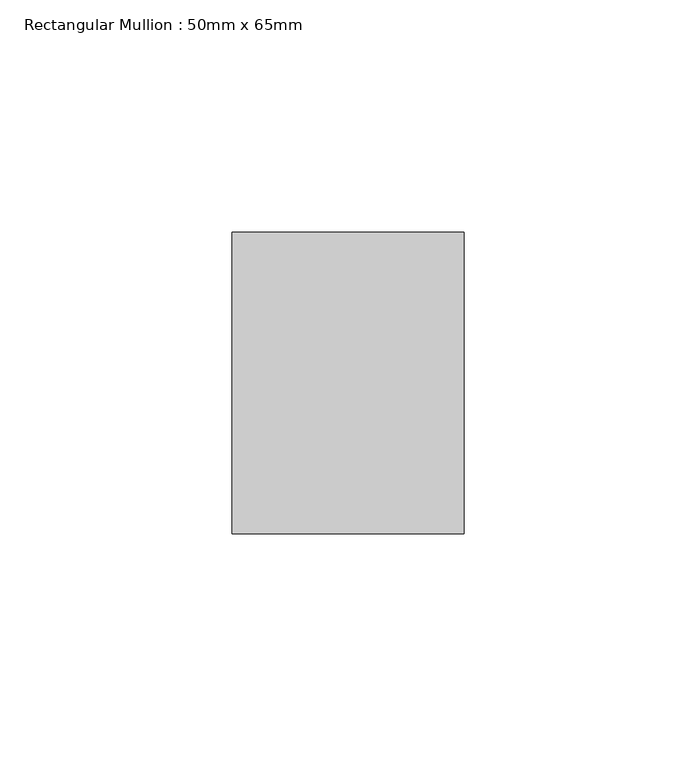
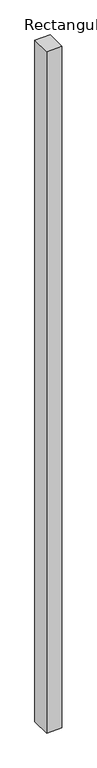
"""IFC4 building model written with IfcOpenShell, lengths in millimetres: member geometry, Rectangular Mullion : 50mm x 65mm."""

import ifcopenshell
import ifcopenshell.guid

model = None  # the IFC model being written
_history = None  # IfcOwnerHistory: only IFC2X3 demands one
_inside = {}  # id of a spatial element -> (the spatial element, [elements in it])
_under = {}  # id of a project, library or spatial element -> (it, [spatial elements below it])
_declared = {}  # id of a project -> (the project, [libraries it declares])
_typed = {}  # id of a type object -> (the type object, [elements of that type])
_made_of = {}  # id of a material, layer set ... -> (it, [elements and type objects made of it])


def new_model(schema):
    """Start an empty IFC model of exactly this schema.

    Asked for "IFC4X3", IfcOpenShell would pick the latest addendum, in which some entities
    have other attributes; the version numbers below select the first issue.
    IFC2X3 requires an IfcOwnerHistory on every rooted entity: one is made here for all.
    """
    global model, _history
    if schema == "IFC4X3":
        model = ifcopenshell.file(schema_version=(4, 3, 0, 0))
    else:
        model = ifcopenshell.file(schema=schema)
    _inside.clear()
    _under.clear()
    _declared.clear()
    _typed.clear()
    _made_of.clear()
    _history = None
    if model.schema == "IFC2X3":
        org = make("IfcOrganization", Name="unknown")
        user = make(
            "IfcPersonAndOrganization",
            ThePerson=make("IfcPerson", FamilyName="unknown"),
            TheOrganization=org,
        )
        app = make(
            "IfcApplication",
            ApplicationDeveloper=org,
            Version="unknown",
            ApplicationFullName="unknown",
            ApplicationIdentifier="unknown",
        )
        _history = make(
            "IfcOwnerHistory",
            OwningUser=user,
            OwningApplication=app,
            ChangeAction="ADDED",
            CreationDate=0,
        )
    return model


def make(cls, **values):
    """One entity of the class cls with the attributes given. An attribute that is None is left unset."""
    return model.create_entity(
        cls, **{name: value for name, value in values.items() if value is not None}
    )


def rooted(cls, **values):
    """An entity with a GlobalId (a new one), such as an element, a storey or a relation."""
    return make(cls, GlobalId=ifcopenshell.guid.new(), OwnerHistory=_history, **values)


def si_unit(unit_type, name, prefix=None):
    """IfcSIUnit, for example si_unit("LENGTHUNIT", "METRE", prefix="MILLI")."""
    return make("IfcSIUnit", UnitType=unit_type, Prefix=prefix, Name=name)


def assignment(units):
    """IfcUnitAssignment: the units of a project."""
    return None if units is None else make("IfcUnitAssignment", Units=units)


def point(xyz):
    """IfcCartesianPoint."""
    return None if xyz is None else make("IfcCartesianPoint", Coordinates=xyz)


def direction(xyz):
    """IfcDirection."""
    return None if xyz is None else make("IfcDirection", DirectionRatios=xyz)


def frame(location, z_axis=None, x_axis=None):
    """IfcAxis2Placement3D, a coordinate frame: its origin and axes. An axis left out is left unset."""
    return make(
        "IfcAxis2Placement3D",
        Location=point(location),
        Axis=direction(z_axis),
        RefDirection=direction(x_axis),
    )


def origin():
    """The frame at (0, 0, 0) with its axes left unset."""
    return frame((0.0, 0.0, 0.0))


def place(relative_to, where):
    """IfcLocalPlacement: puts the frame where relative to a parent placement (None: the world)."""
    return make(
        "IfcLocalPlacement", PlacementRelTo=relative_to, RelativePlacement=where
    )


def context(
    kind, dimensions, precision=None, world=None, true_north=None, identifier=None
):
    """IfcGeometricRepresentationContext, for example the 3D "Model" context."""
    return make(
        "IfcGeometricRepresentationContext",
        ContextIdentifier=identifier,
        ContextType=kind,
        CoordinateSpaceDimension=dimensions,
        Precision=precision,
        WorldCoordinateSystem=world,
        TrueNorth=true_north,
    )


def project(units=None, contexts=None):
    """IfcProject with its units and contexts."""
    return rooted(
        "IfcProject",
        Name="project",
        RepresentationContexts=contexts,
        UnitsInContext=assignment(units),
    )


def spatial(cls, under=None, at=None, **own):
    """A site, building, storey or space (cls), placed at a placement, below another one or the project."""
    s = rooted(cls, ObjectPlacement=at, **own)
    if under is not None:
        _under.setdefault(under.id(), (under, []))[1].append(s)
    return s


def polyline(points):
    """IfcPolyline through the points."""
    return make("IfcPolyline", Points=[point(p) for p in points])


def outline(outer, holes=None, kind="AREA"):
    """IfcArbitraryClosedProfileDef: a profile drawn as a closed curve; with holes, ...WithVoids."""
    if holes is None:
        return make("IfcArbitraryClosedProfileDef", ProfileType=kind, OuterCurve=outer)
    return make(
        "IfcArbitraryProfileDefWithVoids",
        ProfileType=kind,
        OuterCurve=outer,
        InnerCurves=holes,
    )


def extrude(swept, where, along, depth):
    """IfcExtrudedAreaSolid: the profile swept, set in the frame where, extruded along a direction by depth."""
    return make(
        "IfcExtrudedAreaSolid",
        SweptArea=swept,
        Position=where,
        ExtrudedDirection=direction(along),
        Depth=depth,
    )


def shape(context_of_items, identifier, shape_type, items):
    """IfcShapeRepresentation: the items that make up one representation, for example the "Body"."""
    return make(
        "IfcShapeRepresentation",
        ContextOfItems=context_of_items,
        RepresentationIdentifier=identifier,
        RepresentationType=shape_type,
        Items=items,
    )


def source(mapping_origin, context_of_items, identifier, shape_type, items):
    """IfcRepresentationMap: a shape defined once, which mapped items show again and again."""
    return make(
        "IfcRepresentationMap",
        MappingOrigin=mapping_origin,
        MappedRepresentation=shape(context_of_items, identifier, shape_type, items),
    )


def transform(
    local_origin,
    x_axis=None,
    y_axis=None,
    z_axis=None,
    scale=None,
    scale2=None,
    scale3=None,
    uniform=True,
):
    """IfcCartesianTransformationOperator3D, or its non-uniform kind. x_axis, y_axis, z_axis: its Axis1, 2, 3."""
    if uniform:
        return make(
            "IfcCartesianTransformationOperator3D",
            Axis1=direction(x_axis),
            Axis2=direction(y_axis),
            LocalOrigin=point(local_origin),
            Scale=scale,
            Axis3=direction(z_axis),
        )
    return make(
        "IfcCartesianTransformationOperator3DnonUniform",
        Axis1=direction(x_axis),
        Axis2=direction(y_axis),
        LocalOrigin=point(local_origin),
        Scale=scale,
        Axis3=direction(z_axis),
        Scale2=scale2,
        Scale3=scale3,
    )


def mapped(mapping_source, mapping_target):
    """IfcMappedItem: shows the shape of a source again, moved by a transform."""
    return make(
        "IfcMappedItem", MappingSource=mapping_source, MappingTarget=mapping_target
    )


def made_of(thing, what):
    """Note that an element or type object is made of a material, layer set ...; save() writes the relation."""
    if what is not None:
        _made_of.setdefault(what.id(), (what, []))[1].append(thing)
    return thing


def element(
    cls,
    number,
    at=None,
    inside=None,
    cuts=None,
    type_object=None,
    material=None,
    context=None,
    identifier="Body",
    shape_type=None,
    held_by="IfcProductDefinitionShape",
    body=None,
    shapes=None,
    **own,
):
    """One element of the class cls, such as IfcWall. Its Tag is "e" and its number.

    at: its placement. inside: the storey or other place that contains it. cuts: it is an
    opening in that element (IfcRelVoidsElement). A single representation is given by context,
    identifier, shape_type and body (its items); several are given by shapes. held_by: the class
    of the entity that holds the representations. save() writes the other relations.
    """
    e = rooted(cls, Tag="e%d" % number, ObjectPlacement=at, **own)
    if body is not None:
        shapes = [shape(context, identifier, shape_type, body)]
    if shapes is not None:
        e.Representation = make(held_by, Representations=shapes)
    if inside is not None:
        _inside.setdefault(inside.id(), (inside, []))[1].append(e)
    if cuts is not None:
        rooted(
            "IfcRelVoidsElement", RelatingBuildingElement=cuts, RelatedOpeningElement=e
        )
    if type_object is not None:
        _typed.setdefault(type_object.id(), (type_object, []))[1].append(e)
    return made_of(e, material)


def aggregate(whole, parts):
    """IfcRelAggregates: a whole, such as a stair, and the parts it consists of."""
    return rooted("IfcRelAggregates", RelatingObject=whole, RelatedObjects=parts)


def save(model, path):
    """Write the relations noted so far, then the file.

    IfcRelAggregates (storeys below a building ...), IfcRelContainedInSpatialStructure (elements
    in a storey), IfcRelDefinesByType, IfcRelAssociatesMaterial and IfcRelDeclares: one each for
    every whole, place, type object, material and project.
    """
    for whole, parts in _under.values():
        aggregate(whole, parts)
    for where, things in _inside.values():
        rooted(
            "IfcRelContainedInSpatialStructure",
            RelatedElements=things,
            RelatingStructure=where,
        )
    for kind, things in _typed.values():
        rooted("IfcRelDefinesByType", RelatedObjects=things, RelatingType=kind)
    for what, things in _made_of.values():
        rooted("IfcRelAssociatesMaterial", RelatedObjects=things, RelatingMaterial=what)
    for by, libraries in _declared.values():
        rooted("IfcRelDeclares", RelatingContext=by, RelatedDefinitions=libraries)
    model.write(path)


def rectangular_mullion_50mm_x_65mm_7fe0d578(model_context):
    return source(origin(), model_context, "Body", "SweptSolid", [
        extrude(outline(polyline([(25.0, 32.5), (25.0, -32.5), (-25.0, -32.5), (-25.0, 32.5), (25.0, 32.5)])), frame((0.0, 0.0, -2332.1775369), z_axis=(0.0, 0.0, 1.0), x_axis=(1.0, 0.0, 0.0)), (0.0, 0.0, 1.0), 2332.1775369),
    ])


if __name__ == "__main__":
    model = new_model("IFC4")
    model_context = context("Model", 3, world=origin())
    ifc_project = project(units=[si_unit("LENGTHUNIT", "METRE", prefix="MILLI")], contexts=[model_context])
    site = spatial("IfcSite", under=ifc_project)
    building = spatial("IfcBuilding", under=site)
    placement = place(None, origin())
    rectangular_mullion_50mm_x_65mm_shape = rectangular_mullion_50mm_x_65mm_7fe0d578(model_context)
    element("IfcMember", 1, ObjectType="Rectangular Mullion : 50mm x 65mm", at=placement, inside=building, context=model_context, shape_type="MappedRepresentation", body=[
        mapped(rectangular_mullion_50mm_x_65mm_shape, transform((0.0, 0.0, 0.0), x_axis=(1.0, 0.0, 0.0), y_axis=(0.0, 1.0, 0.0), z_axis=(0.0, 0.0, 1.0))),
    ])
    save(model, "model.ifc")
